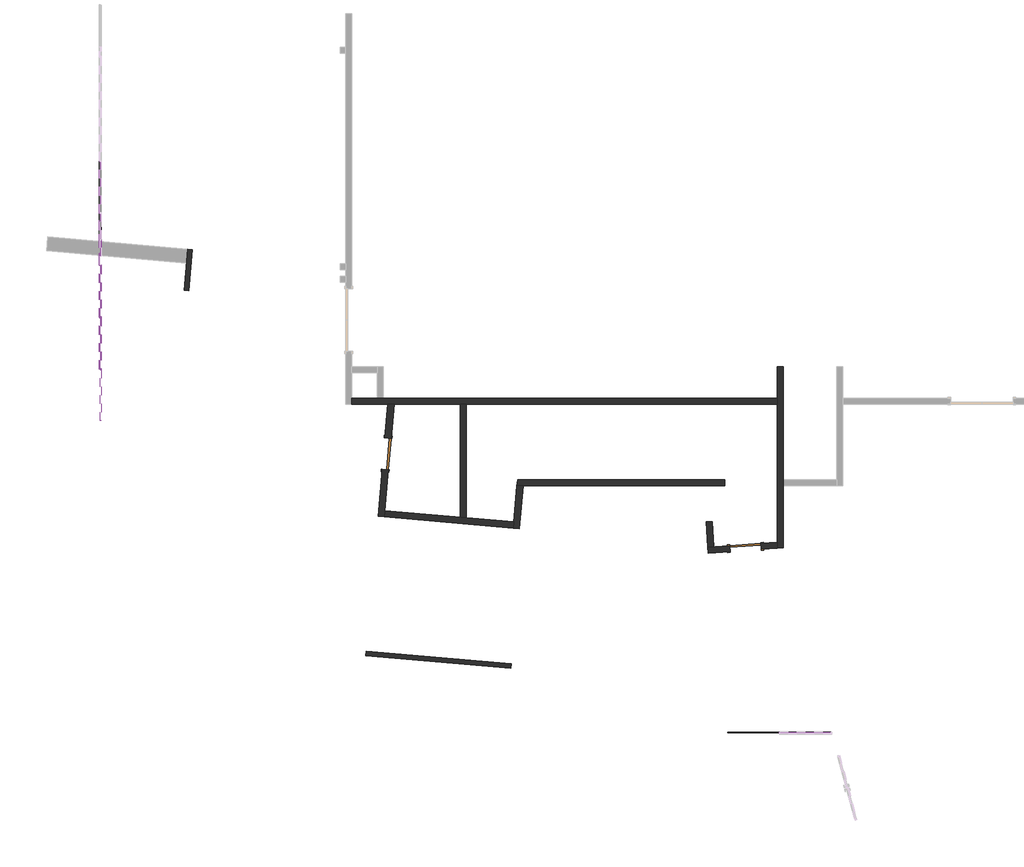
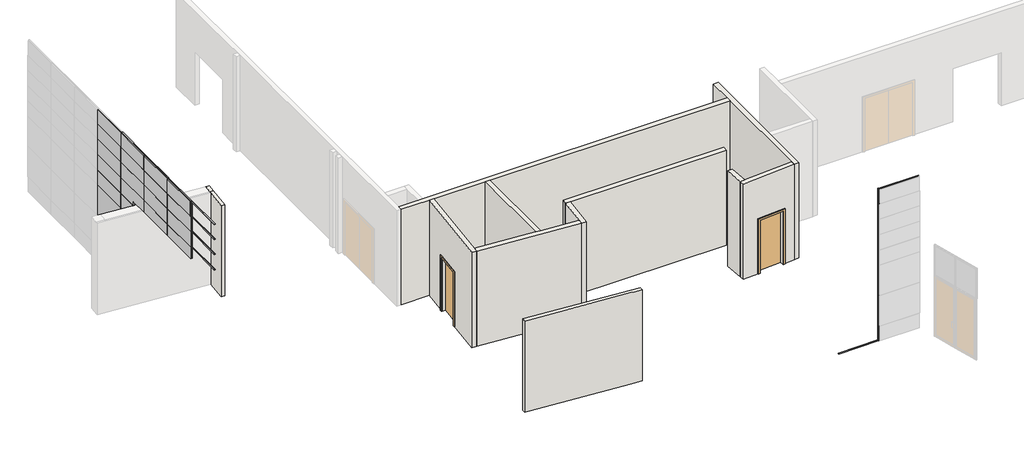
# One storey, part 7 of 36: 53 members, 24 plates, 11 walls, 2 doors.
"""IFC4 building model written with IfcOpenShell, lengths in millimetres."""

import ifcopenshell
import ifcopenshell.guid

model = None  # the IFC model being written
_history = None  # IfcOwnerHistory: only IFC2X3 demands one
_inside = {}  # id of a spatial element -> (the spatial element, [elements in it])
_under = {}  # id of a project, library or spatial element -> (it, [spatial elements below it])
_declared = {}  # id of a project -> (the project, [libraries it declares])
_typed = {}  # id of a type object -> (the type object, [elements of that type])
_made_of = {}  # id of a material, layer set ... -> (it, [elements and type objects made of it])


def new_model(schema):
    """Start an empty IFC model of exactly this schema.

    Asked for "IFC4X3", IfcOpenShell would pick the latest addendum, in which some entities
    have other attributes; the version numbers below select the first issue.
    IFC2X3 requires an IfcOwnerHistory on every rooted entity: one is made here for all.
    """
    global model, _history
    if schema == "IFC4X3":
        model = ifcopenshell.file(schema_version=(4, 3, 0, 0))
    else:
        model = ifcopenshell.file(schema=schema)
    _inside.clear()
    _under.clear()
    _declared.clear()
    _typed.clear()
    _made_of.clear()
    _history = None
    if model.schema == "IFC2X3":
        org = make("IfcOrganization", Name="unknown")
        user = make(
            "IfcPersonAndOrganization",
            ThePerson=make("IfcPerson", FamilyName="unknown"),
            TheOrganization=org,
        )
        app = make(
            "IfcApplication",
            ApplicationDeveloper=org,
            Version="unknown",
            ApplicationFullName="unknown",
            ApplicationIdentifier="unknown",
        )
        _history = make(
            "IfcOwnerHistory",
            OwningUser=user,
            OwningApplication=app,
            ChangeAction="ADDED",
            CreationDate=0,
        )
    return model


def make(cls, **values):
    """One entity of the class cls with the attributes given. An attribute that is None is left unset."""
    return model.create_entity(
        cls, **{name: value for name, value in values.items() if value is not None}
    )


def rooted(cls, **values):
    """An entity with a GlobalId (a new one), such as an element, a storey or a relation."""
    return make(cls, GlobalId=ifcopenshell.guid.new(), OwnerHistory=_history, **values)


def si_unit(unit_type, name, prefix=None):
    """IfcSIUnit, for example si_unit("LENGTHUNIT", "METRE", prefix="MILLI")."""
    return make("IfcSIUnit", UnitType=unit_type, Prefix=prefix, Name=name)


def assignment(units):
    """IfcUnitAssignment: the units of a project."""
    return None if units is None else make("IfcUnitAssignment", Units=units)


def point(xyz):
    """IfcCartesianPoint."""
    return None if xyz is None else make("IfcCartesianPoint", Coordinates=xyz)


def direction(xyz):
    """IfcDirection."""
    return None if xyz is None else make("IfcDirection", DirectionRatios=xyz)


def frame(location, z_axis=None, x_axis=None):
    """IfcAxis2Placement3D, a coordinate frame: its origin and axes. An axis left out is left unset."""
    return make(
        "IfcAxis2Placement3D",
        Location=point(location),
        Axis=direction(z_axis),
        RefDirection=direction(x_axis),
    )


def origin():
    """The frame at (0, 0, 0) with its axes left unset."""
    return frame((0.0, 0.0, 0.0))


def origin_with_axes():
    """The frame at (0, 0, 0) with the z axis (0, 0, 1) and the x axis (1, 0, 0) written out."""
    return frame((0.0, 0.0, 0.0), z_axis=(0.0, 0.0, 1.0), x_axis=(1.0, 0.0, 0.0))


def place(relative_to, where):
    """IfcLocalPlacement: puts the frame where relative to a parent placement (None: the world)."""
    return make(
        "IfcLocalPlacement", PlacementRelTo=relative_to, RelativePlacement=where
    )


def context(
    kind, dimensions, precision=None, world=None, true_north=None, identifier=None
):
    """IfcGeometricRepresentationContext, for example the 3D "Model" context."""
    return make(
        "IfcGeometricRepresentationContext",
        ContextIdentifier=identifier,
        ContextType=kind,
        CoordinateSpaceDimension=dimensions,
        Precision=precision,
        WorldCoordinateSystem=world,
        TrueNorth=true_north,
    )


def project(units=None, contexts=None):
    """IfcProject with its units and contexts."""
    return rooted(
        "IfcProject",
        Name="project",
        RepresentationContexts=contexts,
        UnitsInContext=assignment(units),
    )


def spatial(cls, under=None, at=None, **own):
    """A site, building, storey or space (cls), placed at a placement, below another one or the project."""
    s = rooted(cls, ObjectPlacement=at, **own)
    if under is not None:
        _under.setdefault(under.id(), (under, []))[1].append(s)
    return s


def polyline(points):
    """IfcPolyline through the points."""
    return make("IfcPolyline", Points=[point(p) for p in points])


def outline(outer, holes=None, kind="AREA"):
    """IfcArbitraryClosedProfileDef: a profile drawn as a closed curve; with holes, ...WithVoids."""
    if holes is None:
        return make("IfcArbitraryClosedProfileDef", ProfileType=kind, OuterCurve=outer)
    return make(
        "IfcArbitraryProfileDefWithVoids",
        ProfileType=kind,
        OuterCurve=outer,
        InnerCurves=holes,
    )


def extrude(swept, where, along, depth):
    """IfcExtrudedAreaSolid: the profile swept, set in the frame where, extruded along a direction by depth."""
    return make(
        "IfcExtrudedAreaSolid",
        SweptArea=swept,
        Position=where,
        ExtrudedDirection=direction(along),
        Depth=depth,
    )


def faces_of(points, faces, orient=None, outer=None):
    """IfcFace entities. A face is a list of loops; a loop is a list of indices into points, from 0.

    orient and outer hold one flag for each loop. By default every Orientation is true, the
    first loop of a face is its IfcFaceOuterBound and the others are IfcFaceBound.
    """
    made = []
    for i, loops in enumerate(faces):
        bounds = []
        for j, loop in enumerate(loops):
            is_outer = j == 0 if outer is None else outer[i][j]
            bounds.append(
                make(
                    "IfcFaceOuterBound" if is_outer else "IfcFaceBound",
                    Bound=make("IfcPolyLoop", Polygon=[points[k] for k in loop]),
                    Orientation=True if orient is None else orient[i][j],
                )
            )
        made.append(make("IfcFace", Bounds=bounds))
    return made


def faceted_brep(points, faces, orient=None, outer=None, voids=None):
    """IfcFacetedBrep: a solid bounded by flat faces; with voids (closed shells), ...WithVoids."""
    shared = [point(p) for p in points]
    hull = make("IfcClosedShell", CfsFaces=faces_of(shared, faces, orient, outer))
    if voids is None:
        return make("IfcFacetedBrep", Outer=hull)
    return make(
        "IfcFacetedBrepWithVoids",
        Outer=hull,
        Voids=[
            make(cls, CfsFaces=faces_of(shared, fs, o, b)) for cls, fs, o, b in voids
        ],
    )


def shape(context_of_items, identifier, shape_type, items):
    """IfcShapeRepresentation: the items that make up one representation, for example the "Body"."""
    return make(
        "IfcShapeRepresentation",
        ContextOfItems=context_of_items,
        RepresentationIdentifier=identifier,
        RepresentationType=shape_type,
        Items=items,
    )


def source(mapping_origin, context_of_items, identifier, shape_type, items):
    """IfcRepresentationMap: a shape defined once, which mapped items show again and again."""
    return make(
        "IfcRepresentationMap",
        MappingOrigin=mapping_origin,
        MappedRepresentation=shape(context_of_items, identifier, shape_type, items),
    )


def transform(
    local_origin,
    x_axis=None,
    y_axis=None,
    z_axis=None,
    scale=None,
    scale2=None,
    scale3=None,
    uniform=True,
):
    """IfcCartesianTransformationOperator3D, or its non-uniform kind. x_axis, y_axis, z_axis: its Axis1, 2, 3."""
    if uniform:
        return make(
            "IfcCartesianTransformationOperator3D",
            Axis1=direction(x_axis),
            Axis2=direction(y_axis),
            LocalOrigin=point(local_origin),
            Scale=scale,
            Axis3=direction(z_axis),
        )
    return make(
        "IfcCartesianTransformationOperator3DnonUniform",
        Axis1=direction(x_axis),
        Axis2=direction(y_axis),
        LocalOrigin=point(local_origin),
        Scale=scale,
        Axis3=direction(z_axis),
        Scale2=scale2,
        Scale3=scale3,
    )


def mapped(mapping_source, mapping_target):
    """IfcMappedItem: shows the shape of a source again, moved by a transform."""
    return make(
        "IfcMappedItem", MappingSource=mapping_source, MappingTarget=mapping_target
    )


def made_of(thing, what):
    """Note that an element or type object is made of a material, layer set ...; save() writes the relation."""
    if what is not None:
        _made_of.setdefault(what.id(), (what, []))[1].append(thing)
    return thing


def element(
    cls,
    number,
    at=None,
    inside=None,
    cuts=None,
    type_object=None,
    material=None,
    context=None,
    identifier="Body",
    shape_type=None,
    held_by="IfcProductDefinitionShape",
    body=None,
    shapes=None,
    **own,
):
    """One element of the class cls, such as IfcWall. Its Tag is "e" and its number.

    at: its placement. inside: the storey or other place that contains it. cuts: it is an
    opening in that element (IfcRelVoidsElement). A single representation is given by context,
    identifier, shape_type and body (its items); several are given by shapes. held_by: the class
    of the entity that holds the representations. save() writes the other relations.
    """
    e = rooted(cls, Tag="e%d" % number, ObjectPlacement=at, **own)
    if body is not None:
        shapes = [shape(context, identifier, shape_type, body)]
    if shapes is not None:
        e.Representation = make(held_by, Representations=shapes)
    if inside is not None:
        _inside.setdefault(inside.id(), (inside, []))[1].append(e)
    if cuts is not None:
        rooted(
            "IfcRelVoidsElement", RelatingBuildingElement=cuts, RelatedOpeningElement=e
        )
    if type_object is not None:
        _typed.setdefault(type_object.id(), (type_object, []))[1].append(e)
    return made_of(e, material)


def aggregate(whole, parts):
    """IfcRelAggregates: a whole, such as a stair, and the parts it consists of."""
    return rooted("IfcRelAggregates", RelatingObject=whole, RelatedObjects=parts)


def save(model, path):
    """Write the relations noted so far, then the file.

    IfcRelAggregates (storeys below a building ...), IfcRelContainedInSpatialStructure (elements
    in a storey), IfcRelDefinesByType, IfcRelAssociatesMaterial and IfcRelDeclares: one each for
    every whole, place, type object, material and project.
    """
    for whole, parts in _under.values():
        aggregate(whole, parts)
    for where, things in _inside.values():
        rooted(
            "IfcRelContainedInSpatialStructure",
            RelatedElements=things,
            RelatingStructure=where,
        )
    for kind, things in _typed.values():
        rooted("IfcRelDefinesByType", RelatedObjects=things, RelatingType=kind)
    for what, things in _made_of.values():
        rooted("IfcRelAssociatesMaterial", RelatedObjects=things, RelatingMaterial=what)
    for by, libraries in _declared.values():
        rooted("IfcRelDeclares", RelatingContext=by, RelatedDefinitions=libraries)
    model.write(path)


def door_dcb3ee61(model_context):
    return source(origin(), model_context, "Body", "SweptSolid", [
        extrude(outline(polyline([(2209.8, -533.4), (0.0, -533.4), (0.0, -457.2), (2133.6, -457.2), (2133.6, 457.2), (0.0, 457.2), (0.0, 533.4), (2209.8, 533.4), (2209.8, -533.4)])), frame((0.0, -114.3, 0.0), z_axis=(0.0, 1.0, 0.0), x_axis=(0.0, 0.0, 1.0)), (0.0, 0.0, 1.0), 25.4),
        extrude(outline(polyline([(2209.8, 533.4), (2209.8, -533.4), (0.0, -533.4), (0.0, -457.2), (2133.6, -457.2), (2133.6, 457.2), (0.0, 457.2), (0.0, 533.4), (2209.8, 533.4)])), frame((0.0, 88.9, 0.0), z_axis=(0.0, 1.0, 0.0), x_axis=(0.0, 0.0, 1.0)), (0.0, 0.0, 1.0), 25.4),
        extrude(outline(polyline([(457.2, -38.1), (457.2, -88.9), (-457.2, -88.9), (-457.2, -38.1), (457.2, -38.1)])), origin_with_axes(), (0.0, 0.0, 1.0), 2133.6),
    ])


def door_90112511(model_context):
    return source(origin(), model_context, "Body", "SweptSolid", [
        extrude(outline(polyline([(2209.8, -533.4), (0.0, -533.4), (0.0, -457.2), (2133.6, -457.2), (2133.6, 457.2), (0.0, 457.2), (0.0, 533.4), (2209.8, 533.4), (2209.8, -533.4)])), frame((0.0, 88.9, 0.0), z_axis=(0.0, 1.0, 0.0), x_axis=(0.0, 0.0, 1.0)), (0.0, 0.0, 1.0), 25.4),
        extrude(outline(polyline([(2209.8, 533.4), (2209.8, -533.4), (0.0, -533.4), (0.0, -457.2), (2133.6, -457.2), (2133.6, 457.2), (0.0, 457.2), (0.0, 533.4), (2209.8, 533.4)])), frame((0.0, -114.3, 0.0), z_axis=(0.0, 1.0, 0.0), x_axis=(0.0, 0.0, 1.0)), (0.0, 0.0, 1.0), 25.4),
        extrude(outline(polyline([(457.2, 38.1), (-457.2, 38.1), (-457.2, 88.9), (457.2, 88.9), (457.2, 38.1)])), origin_with_axes(), (0.0, 0.0, 1.0), 2133.6),
    ])


def member_e689ca9c(model_context):
    return source(origin(), model_context, "Body", "SweptSolid", [
        extrude(outline(polyline([(0.0, 12.7), (0.0, -12.7), (-25.4, -12.7), (-25.4, 12.7), (0.0, 12.7)])), frame((0.0, 0.0, -1219.2), z_axis=(0.0, 0.0, 1.0), x_axis=(1.0, 0.0, 0.0)), (0.0, 0.0, 1.0), 1219.2),
    ])


def member_f4845628(model_context):
    return source(origin(), model_context, "Body", "SweptSolid", [
        extrude(outline(polyline([(12.7, 12.7), (12.7, -12.7), (-12.7, -12.7), (-12.7, 12.7), (12.7, 12.7)])), frame((0.0, 0.0, -1219.2), z_axis=(0.0, 0.0, 1.0), x_axis=(1.0, 0.0, 0.0)), (0.0, 0.0, 1.0), 1219.2),
    ])


def member_6604d1e0(model_context):
    return source(origin(), model_context, "Body", "SweptSolid", [
        extrude(outline(polyline([(0.0, 12.7), (0.0, -12.7), (-25.4, -12.7), (-25.4, 12.7), (0.0, 12.7)])), frame((0.0, 0.0, -1498.6), z_axis=(0.0, 0.0, 1.0), x_axis=(1.0, 0.0, 0.0)), (0.0, 0.0, 1.0), 1498.6),
    ])


def member_fda38710(model_context):
    return source(origin(), model_context, "Body", "SweptSolid", [
        extrude(outline(polyline([(0.0, 12.7), (0.0, -12.7), (-25.4, -12.7), (-25.4, 12.7), (0.0, 12.7)])), frame((0.0, 0.0, -177.8), z_axis=(0.0, 0.0, 1.0), x_axis=(1.0, 0.0, 0.0)), (0.0, 0.0, 1.0), 177.8),
    ])


def member_68981e21(model_context):
    return source(origin(), model_context, "Body", "SweptSolid", [
        extrude(outline(polyline([(0.0, 12.7), (0.0, -12.7), (-25.4, -12.7), (-25.4, 12.7), (0.0, 12.7)])), frame((0.0, 0.0, -609.6), z_axis=(0.0, 0.0, 1.0), x_axis=(1.0, 0.0, 0.0)), (0.0, 0.0, 1.0), 609.6),
    ])


def member_9fd3d903(model_context):
    return source(origin(), model_context, "Body", "SweptSolid", [
        extrude(outline(polyline([(12.7, 12.7), (12.7, -12.7), (-12.7, -12.7), (-12.7, 12.7), (12.7, 12.7)])), frame((0.0, 0.0, -1498.6), z_axis=(0.0, 0.0, 1.0), x_axis=(1.0, 0.0, 0.0)), (0.0, 0.0, 1.0), 1498.6),
    ])


def member_3d4b608b(model_context):
    return source(origin(), model_context, "Body", "SweptSolid", [
        extrude(outline(polyline([(12.7, 12.7), (12.7, -12.7), (-12.7, -12.7), (-12.7, 12.7), (12.7, 12.7)])), frame((0.0, 0.0, -457.2), z_axis=(0.0, 0.0, 1.0), x_axis=(1.0, 0.0, 0.0)), (0.0, 0.0, 1.0), 457.2),
    ])


def member_3e1f1dd8(model_context):
    return source(origin(), model_context, "Body", "SweptSolid", [
        extrude(outline(polyline([(12.7, 12.7), (12.7, -12.7), (-12.7, -12.7), (-12.7, 12.7), (12.7, 12.7)])), frame((0.0, 0.0, -609.6), z_axis=(0.0, 0.0, 1.0), x_axis=(1.0, 0.0, 0.0)), (0.0, 0.0, 1.0), 609.6),
    ])


def member_93cf2621(model_context):
    return source(origin(), model_context, "Body", "SweptSolid", [
        extrude(outline(polyline([(12.7, 12.7), (12.7, -12.7), (-12.7, -12.7), (-12.7, 12.7), (12.7, 12.7)])), frame((0.0, 0.0, -622.3), z_axis=(0.0, 0.0, 1.0), x_axis=(1.0, 0.0, 0.0)), (0.0, 0.0, 1.0), 622.3),
    ])


def member_0acad92b(model_context):
    return source(origin(), model_context, "Body", "SweptSolid", [
        extrude(outline(polyline([(12.7, 12.7), (12.7, -12.7), (-12.7, -12.7), (-12.7, 12.7), (12.7, 12.7)])), frame((0.0, 0.0, -596.9), z_axis=(0.0, 0.0, 1.0), x_axis=(1.0, 0.0, 0.0)), (0.0, 0.0, 1.0), 596.9),
    ])


def member_5fab85cf(model_context):
    return source(origin(), model_context, "Body", "SweptSolid", [
        extrude(outline(polyline([(0.0, 12.7), (0.0, -12.7), (-25.4, -12.7), (-25.4, 12.7), (0.0, 12.7)])), frame((0.0, 0.0, -789.3590832), z_axis=(0.0, 0.0, 1.0), x_axis=(1.0, 0.0, 0.0)), (0.0, 0.0, 1.0), 789.3590832),
    ])


def member_24482ccd(model_context):
    return source(origin(), model_context, "Body", "SweptSolid", [
        extrude(outline(polyline([(0.0, 12.7), (0.0, -12.7), (-25.4, -12.7), (-25.4, 12.7), (0.0, 12.7)])), frame((0.0, 0.0, -683.8409168), z_axis=(0.0, 0.0, 1.0), x_axis=(1.0, 0.0, 0.0)), (0.0, 0.0, 1.0), 683.8409168),
    ])


def member_20523a67(model_context):
    return source(origin(), model_context, "Body", "SweptSolid", [
        extrude(outline(polyline([(12.7, 12.7), (12.7, -12.7), (-12.7, -12.7), (-12.7, 12.7), (12.7, 12.7)])), frame((0.0, 0.0, -789.3590832), z_axis=(0.0, 0.0, 1.0), x_axis=(1.0, 0.0, 0.0)), (0.0, 0.0, 1.0), 789.3590832),
    ])


def system_panel_glazed_327285c7(model_context):
    return source(origin(), model_context, "Body", "SweptSolid", [
        extrude(outline(polyline([(762.0, 19.05), (-762.0, 19.05), (-762.0, 44.45), (762.0, 44.45), (762.0, 19.05)])), origin_with_axes(), (0.0, 0.0, 1.0), 609.6),
    ])


def system_panel_glazed_cdb21187(model_context):
    return source(origin(), model_context, "Body", "SweptSolid", [
        extrude(outline(polyline([(762.0, 19.05), (-762.0, 19.05), (-762.0, 44.45), (762.0, 44.45), (762.0, 19.05)])), origin_with_axes(), (0.0, 0.0, 1.0), 457.2),
    ])


def system_panel_glazed_14200f5a(model_context):
    return source(origin(), model_context, "Body", "SweptSolid", [
        extrude(outline(polyline([(762.0, 19.05), (-762.0, 19.05), (-762.0, 44.45), (762.0, 44.45), (762.0, 19.05)])), origin_with_axes(), (0.0, 0.0, 1.0), 1219.2),
    ])


def system_panel_glazed_39099b5e(model_context):
    return source(origin(), model_context, "Body", "SweptSolid", [
        extrude(outline(polyline([(762.0, 19.05), (-762.0, 19.05), (-762.0, 44.45), (762.0, 44.45), (762.0, 19.05)])), origin_with_axes(), (0.0, 0.0, 1.0), 622.3),
    ])


def system_panel_glazed_72237fa4(model_context):
    return source(origin(), model_context, "Body", "SweptSolid", [
        extrude(outline(polyline([(762.0, 19.05), (-762.0, 19.05), (-762.0, 44.45), (762.0, 44.45), (762.0, 19.05)])), origin_with_axes(), (0.0, 0.0, 1.0), 596.9),
    ])


def system_panel_glazed_ab490cc1(model_context):
    return source(origin(), model_context, "Body", "SweptSolid", [
        extrude(outline(polyline([(413.7295416, 19.05), (-413.7295416, 19.05), (-413.7295416, 44.45), (413.7295416, 44.45), (413.7295416, 19.05)])), origin_with_axes(), (0.0, 0.0, 1.0), 1219.2),
    ])


def system_panel_glazed_f567da37(model_context):
    return source(origin(), model_context, "Body", "SweptSolid", [
        extrude(outline(polyline([(413.7295416, 19.05), (-413.7295416, 19.05), (-413.7295416, 44.45), (413.7295416, 44.45), (413.7295416, 19.05)])), origin_with_axes(), (0.0, 0.0, 1.0), 609.6),
    ])


def system_panel_glazed_34cbab50(model_context):
    return source(origin(), model_context, "Body", "SweptSolid", [
        extrude(outline(polyline([(0.0, -65.4590832), (0.0, 762.0), (609.6, 762.0), (609.6, -762.0), (152.4, -762.0), (152.4, -65.4590832), (0.0, -65.4590832)])), frame((0.0, 19.05, 0.0), z_axis=(0.0, 1.0, 0.0), x_axis=(0.0, 0.0, 1.0)), (0.0, 0.0, 1.0), 25.4),
    ])


def system_panel_solid_1afbd22d(model_context):
    return source(origin(), model_context, "Body", "SweptSolid", [
        extrude(outline(polyline([(749.3, -19.05), (-749.3, -19.05), (-749.3, 44.45), (749.3, 44.45), (749.3, -19.05)])), origin_with_axes(), (0.0, 0.0, 1.0), 571.5),
    ])


def system_panel_solid_8e77ed5b(model_context):
    return source(origin(), model_context, "Body", "SweptSolid", [
        extrude(outline(polyline([(394.6795416, -19.05), (-394.6795416, -19.05), (-394.6795416, 44.45), (394.6795416, 44.45), (394.6795416, -19.05)])), origin_with_axes(), (0.0, 0.0, 1.0), 571.5),
    ])


model = new_model("IFC4")

# Units and contexts
model_context = context("Model", 3, world=origin())
ifc_project = project(units=[si_unit("LENGTHUNIT", "METRE", prefix="MILLI")], contexts=[model_context])

# Site, building, storey
site = spatial("IfcSite", under=ifc_project)
building = spatial("IfcBuilding", under=site)
storey = spatial("IfcBuildingStorey", under=building, Elevation=0.0)

# Doors
placement = place(None, origin())
door_shape = door_dcb3ee61(model_context)
element("IfcDoor", 1, ObjectType="Single-Flush : 36\" x 84\"", at=placement, inside=storey, context=model_context, shape_type="MappedRepresentation", body=[
    mapped(door_shape, transform((-43740.310279, -17894.6421973, 0.0), x_axis=(0.08715574274765477, 0.9961946980917459, 0.0), y_axis=(-0.9961946980917459, 0.08715574274765477, 0.0), z_axis=(0.0, 0.0, 1.0))),
])
door_2_shape = door_90112511(model_context)
element("IfcDoor", 2, ObjectType="Single-Flush : 36\" x 84\"", at=placement, inside=storey, context=model_context, shape_type="MappedRepresentation", body=[
    mapped(door_2_shape, transform((-33234.6193724, -20637.0783385, 0.0), x_axis=(0.9975640502598242, 0.06975647374412611, 0.0), y_axis=(-0.06975647374412611, 0.9975640502598242, 0.0), z_axis=(0.0, 0.0, 1.0))),
])

# Members
member_shape = member_e689ca9c(model_context)
element("IfcMember", 3, ObjectType="Rectangular Mullion : 1\" Square", at=placement, inside=storey, context=model_context, shape_type="MappedRepresentation", body=[
    mapped(member_shape, transform((-52109.6440345, -11672.4687182, 1828.8), x_axis=(0.0, -1.0, 0.0), y_axis=(1.0, 0.0, 0.0), z_axis=(0.0, 0.0, 1.0))),
])
element("IfcMember", 4, ObjectType="Rectangular Mullion : 1\" Square", at=placement, inside=storey, context=model_context, shape_type="MappedRepresentation", body=[
    mapped(member_shape, transform((-52109.6440345, -11672.4687182, 3048.0), x_axis=(0.0, -1.0, 0.0), y_axis=(1.0, 0.0, 0.0), z_axis=(0.0, 0.0, 1.0))),
])
member_2_shape = member_f4845628(model_context)
element("IfcMember", 5, ObjectType="Rectangular Mullion : 1\" Square", at=placement, inside=storey, context=model_context, shape_type="MappedRepresentation", body=[
    mapped(member_2_shape, transform((-32239.416766, -26053.259635, 609.6), x_axis=(-1.0, 0.0, 0.0), y_axis=(0.0, 1.0, 0.0), z_axis=(0.0, 0.0, -1.0))),
])
element("IfcMember", 6, ObjectType="Rectangular Mullion : 1\" Square", at=placement, inside=storey, context=model_context, shape_type="MappedRepresentation", body=[
    mapped(member_2_shape, transform((-32239.416766, -26053.259635, 1828.8), x_axis=(-1.0, 0.0, 0.0), y_axis=(0.0, 1.0, 0.0), z_axis=(0.0, 0.0, -1.0))),
])
member_3_shape = member_6604d1e0(model_context)
element("IfcMember", 7, ObjectType="Rectangular Mullion : 1\" Square", at=placement, inside=storey, context=model_context, shape_type="MappedRepresentation", body=[
    mapped(member_3_shape, transform((-52109.6440345, -15429.709635, 6096.0), x_axis=(0.0, 0.0, 1.0), y_axis=(1.0, 0.0, 0.0), z_axis=(0.0, 1.0, 0.0))),
])
element("IfcMember", 8, ObjectType="Rectangular Mullion : 1\" Square", at=placement, inside=storey, context=model_context, shape_type="MappedRepresentation", body=[
    mapped(member_3_shape, transform((-52109.6440345, -13905.709635, 6096.0), x_axis=(0.0, 0.0, 1.0), y_axis=(1.0, 0.0, 0.0), z_axis=(0.0, 1.0, 0.0))),
])
element("IfcMember", 9, ObjectType="Rectangular Mullion : 1\" Square", at=placement, inside=storey, context=model_context, shape_type="MappedRepresentation", body=[
    mapped(member_3_shape, transform((-52109.6440345, -12381.709635, 6096.0), x_axis=(0.0, 0.0, 1.0), y_axis=(1.0, 0.0, 0.0), z_axis=(0.0, 1.0, 0.0))),
])
element("IfcMember", 10, ObjectType="Rectangular Mullion : 1\" Square", at=placement, inside=storey, context=model_context, shape_type="MappedRepresentation", body=[
    mapped(member_3_shape, transform((-52109.6440345, -10857.709635, 6096.0), x_axis=(0.0, 0.0, 1.0), y_axis=(1.0, 0.0, 0.0), z_axis=(0.0, 1.0, 0.0))),
])
element("IfcMember", 11, ObjectType="Rectangular Mullion : 1\" Square", at=placement, inside=storey, context=model_context, shape_type="MappedRepresentation", body=[
    mapped(member_3_shape, transform((-32226.716766, -26053.259635, 6096.0), x_axis=(0.0, 0.0, 1.0), y_axis=(0.0, 1.0, 0.0), z_axis=(-1.0, 0.0, 0.0))),
])
element("IfcMember", 12, ObjectType="Rectangular Mullion : 1\" Square", at=placement, inside=storey, context=model_context, shape_type="MappedRepresentation", body=[
    mapped(member_3_shape, transform((-52109.6440345, -15404.309635, 3810.0), x_axis=(0.0, 0.0, -1.0), y_axis=(1.0, 0.0, 0.0), z_axis=(0.0, -1.0, 0.0))),
])
element("IfcMember", 13, ObjectType="Rectangular Mullion : 1\" Square", at=placement, inside=storey, context=model_context, shape_type="MappedRepresentation", body=[
    mapped(member_3_shape, transform((-52109.6440345, -13880.309635, 3810.0), x_axis=(0.0, 0.0, -1.0), y_axis=(1.0, 0.0, 0.0), z_axis=(0.0, -1.0, 0.0))),
])
element("IfcMember", 14, ObjectType="Rectangular Mullion : 1\" Square", at=placement, inside=storey, context=model_context, shape_type="MappedRepresentation", body=[
    mapped(member_3_shape, transform((-52109.6440345, -10832.309635, 0.0), x_axis=(0.0, 0.0, -1.0), y_axis=(1.0, 0.0, 0.0), z_axis=(0.0, -1.0, 0.0))),
])
element("IfcMember", 15, ObjectType="Rectangular Mullion : 1\" Square", at=placement, inside=storey, context=model_context, shape_type="MappedRepresentation", body=[
    mapped(member_3_shape, transform((-32252.116766, -26053.259635, 0.0), x_axis=(0.0, 0.0, -1.0), y_axis=(0.0, 1.0, 0.0), z_axis=(1.0, 0.0, 0.0))),
])
member_4_shape = member_fda38710(model_context)
element("IfcMember", 16, ObjectType="Rectangular Mullion : 1\" Square", at=placement, inside=storey, context=model_context, shape_type="MappedRepresentation", body=[
    mapped(member_4_shape, transform((-52109.6440345, -11672.4687182, 3835.4), x_axis=(0.0, -1.0, 0.0), y_axis=(1.0, 0.0, 0.0), z_axis=(0.0, 0.0, 1.0))),
])
member_5_shape = member_68981e21(model_context)
element("IfcMember", 17, ObjectType="Rectangular Mullion : 1\" Square", at=placement, inside=storey, context=model_context, shape_type="MappedRepresentation", body=[
    mapped(member_5_shape, transform((-52109.6440345, -11672.4687182, 609.6), x_axis=(0.0, -1.0, 0.0), y_axis=(1.0, 0.0, 0.0), z_axis=(0.0, 0.0, 1.0))),
])
element("IfcMember", 18, ObjectType="Rectangular Mullion : 1\" Square", at=placement, inside=storey, context=model_context, shape_type="MappedRepresentation", body=[
    mapped(member_5_shape, transform((-52109.6440345, -11672.4687182, 3657.6), x_axis=(0.0, -1.0, 0.0), y_axis=(1.0, 0.0, 0.0), z_axis=(0.0, 0.0, 1.0))),
])
member_6_shape = member_9fd3d903(model_context)
element("IfcMember", 19, ObjectType="Rectangular Mullion : 1\" Square", at=placement, inside=storey, context=model_context, shape_type="MappedRepresentation", body=[
    mapped(member_6_shape, transform((-52109.6440345, -15429.709635, 4267.2), x_axis=(0.0, 0.0, 1.0), y_axis=(1.0, 0.0, 0.0), z_axis=(0.0, 1.0, 0.0))),
])
element("IfcMember", 20, ObjectType="Rectangular Mullion : 1\" Square", at=placement, inside=storey, context=model_context, shape_type="MappedRepresentation", body=[
    mapped(member_6_shape, transform((-52109.6440345, -13905.709635, 4267.2), x_axis=(0.0, 0.0, 1.0), y_axis=(1.0, 0.0, 0.0), z_axis=(0.0, 1.0, 0.0))),
])
element("IfcMember", 21, ObjectType="Rectangular Mullion : 1\" Square", at=placement, inside=storey, context=model_context, shape_type="MappedRepresentation", body=[
    mapped(member_6_shape, transform((-52109.6440345, -12381.709635, 4267.2), x_axis=(0.0, 0.0, 1.0), y_axis=(1.0, 0.0, 0.0), z_axis=(0.0, 1.0, 0.0))),
])
element("IfcMember", 22, ObjectType="Rectangular Mullion : 1\" Square", at=placement, inside=storey, context=model_context, shape_type="MappedRepresentation", body=[
    mapped(member_6_shape, transform((-52109.6440345, -15429.709635, 4889.5), x_axis=(0.0, 0.0, 1.0), y_axis=(1.0, 0.0, 0.0), z_axis=(0.0, 1.0, 0.0))),
])
element("IfcMember", 23, ObjectType="Rectangular Mullion : 1\" Square", at=placement, inside=storey, context=model_context, shape_type="MappedRepresentation", body=[
    mapped(member_6_shape, transform((-52109.6440345, -13905.709635, 4889.5), x_axis=(0.0, 0.0, 1.0), y_axis=(1.0, 0.0, 0.0), z_axis=(0.0, 1.0, 0.0))),
])
element("IfcMember", 24, ObjectType="Rectangular Mullion : 1\" Square", at=placement, inside=storey, context=model_context, shape_type="MappedRepresentation", body=[
    mapped(member_6_shape, transform((-52109.6440345, -12381.709635, 4889.5), x_axis=(0.0, 0.0, 1.0), y_axis=(1.0, 0.0, 0.0), z_axis=(0.0, 1.0, 0.0))),
])
element("IfcMember", 25, ObjectType="Rectangular Mullion : 1\" Square", at=placement, inside=storey, context=model_context, shape_type="MappedRepresentation", body=[
    mapped(member_6_shape, transform((-52109.6440345, -15429.709635, 5486.4), x_axis=(0.0, 0.0, 1.0), y_axis=(1.0, 0.0, 0.0), z_axis=(0.0, 1.0, 0.0))),
])
element("IfcMember", 26, ObjectType="Rectangular Mullion : 1\" Square", at=placement, inside=storey, context=model_context, shape_type="MappedRepresentation", body=[
    mapped(member_6_shape, transform((-52109.6440345, -13905.709635, 5486.4), x_axis=(0.0, 0.0, 1.0), y_axis=(1.0, 0.0, 0.0), z_axis=(0.0, 1.0, 0.0))),
])
element("IfcMember", 27, ObjectType="Rectangular Mullion : 1\" Square", at=placement, inside=storey, context=model_context, shape_type="MappedRepresentation", body=[
    mapped(member_6_shape, transform((-52109.6440345, -12381.709635, 5486.4), x_axis=(0.0, 0.0, 1.0), y_axis=(1.0, 0.0, 0.0), z_axis=(0.0, 1.0, 0.0))),
])
element("IfcMember", 28, ObjectType="Rectangular Mullion : 1\" Square", at=placement, inside=storey, context=model_context, shape_type="MappedRepresentation", body=[
    mapped(member_6_shape, transform((-32226.716766, -26053.259635, 609.6), x_axis=(0.0, 0.0, 1.0), y_axis=(0.0, 1.0, 0.0), z_axis=(-1.0, 0.0, 0.0))),
])
element("IfcMember", 29, ObjectType="Rectangular Mullion : 1\" Square", at=placement, inside=storey, context=model_context, shape_type="MappedRepresentation", body=[
    mapped(member_6_shape, transform((-32226.716766, -26053.259635, 1828.8), x_axis=(0.0, 0.0, 1.0), y_axis=(0.0, 1.0, 0.0), z_axis=(-1.0, 0.0, 0.0))),
])
element("IfcMember", 30, ObjectType="Rectangular Mullion : 1\" Square", at=placement, inside=storey, context=model_context, shape_type="MappedRepresentation", body=[
    mapped(member_6_shape, transform((-32226.716766, -26053.259635, 3048.0), x_axis=(0.0, 0.0, 1.0), y_axis=(0.0, 1.0, 0.0), z_axis=(-1.0, 0.0, 0.0))),
])
element("IfcMember", 31, ObjectType="Rectangular Mullion : 1\" Square", at=placement, inside=storey, context=model_context, shape_type="MappedRepresentation", body=[
    mapped(member_6_shape, transform((-32226.716766, -26053.259635, 3657.6), x_axis=(0.0, 0.0, 1.0), y_axis=(0.0, 1.0, 0.0), z_axis=(-1.0, 0.0, 0.0))),
])
element("IfcMember", 32, ObjectType="Rectangular Mullion : 1\" Square", at=placement, inside=storey, context=model_context, shape_type="MappedRepresentation", body=[
    mapped(member_6_shape, transform((-32226.716766, -26053.259635, 4267.2), x_axis=(0.0, 0.0, 1.0), y_axis=(0.0, 1.0, 0.0), z_axis=(-1.0, 0.0, 0.0))),
])
element("IfcMember", 33, ObjectType="Rectangular Mullion : 1\" Square", at=placement, inside=storey, context=model_context, shape_type="MappedRepresentation", body=[
    mapped(member_6_shape, transform((-32226.716766, -26053.259635, 4889.5), x_axis=(0.0, 0.0, 1.0), y_axis=(0.0, 1.0, 0.0), z_axis=(-1.0, 0.0, 0.0))),
])
element("IfcMember", 34, ObjectType="Rectangular Mullion : 1\" Square", at=placement, inside=storey, context=model_context, shape_type="MappedRepresentation", body=[
    mapped(member_6_shape, transform((-32226.716766, -26053.259635, 5486.4), x_axis=(0.0, 0.0, 1.0), y_axis=(0.0, 1.0, 0.0), z_axis=(-1.0, 0.0, 0.0))),
])
member_7_shape = member_3d4b608b(model_context)
element("IfcMember", 35, ObjectType="Rectangular Mullion : 1\" Square", at=placement, inside=storey, context=model_context, shape_type="MappedRepresentation", body=[
    mapped(member_7_shape, transform((-52109.6440345, -15417.009635, 3810.0), x_axis=(0.0, 1.0, 0.0), y_axis=(1.0, 0.0, 0.0), z_axis=(0.0, 0.0, -1.0))),
])
element("IfcMember", 36, ObjectType="Rectangular Mullion : 1\" Square", at=placement, inside=storey, context=model_context, shape_type="MappedRepresentation", body=[
    mapped(member_7_shape, transform((-52109.6440345, -13893.009635, 3810.0), x_axis=(0.0, 1.0, 0.0), y_axis=(1.0, 0.0, 0.0), z_axis=(0.0, 0.0, -1.0))),
])
element("IfcMember", 37, ObjectType="Rectangular Mullion : 1\" Square", at=placement, inside=storey, context=model_context, shape_type="MappedRepresentation", body=[
    mapped(member_7_shape, transform((-52109.6440345, -12369.009635, 3810.0), x_axis=(0.0, 1.0, 0.0), y_axis=(1.0, 0.0, 0.0), z_axis=(0.0, 0.0, -1.0))),
])
member_8_shape = member_3e1f1dd8(model_context)
element("IfcMember", 38, ObjectType="Rectangular Mullion : 1\" Square", at=placement, inside=storey, context=model_context, shape_type="MappedRepresentation", body=[
    mapped(member_8_shape, transform((-32239.416766, -26053.259635, 0.0), x_axis=(-1.0, 0.0, 0.0), y_axis=(0.0, 1.0, 0.0), z_axis=(0.0, 0.0, -1.0))),
])
element("IfcMember", 39, ObjectType="Rectangular Mullion : 1\" Square", at=placement, inside=storey, context=model_context, shape_type="MappedRepresentation", body=[
    mapped(member_8_shape, transform((-32239.416766, -26053.259635, 3048.0), x_axis=(-1.0, 0.0, 0.0), y_axis=(0.0, 1.0, 0.0), z_axis=(0.0, 0.0, -1.0))),
])
element("IfcMember", 40, ObjectType="Rectangular Mullion : 1\" Square", at=placement, inside=storey, context=model_context, shape_type="MappedRepresentation", body=[
    mapped(member_8_shape, transform((-32239.416766, -26053.259635, 3657.6), x_axis=(-1.0, 0.0, 0.0), y_axis=(0.0, 1.0, 0.0), z_axis=(0.0, 0.0, -1.0))),
])
member_9_shape = member_93cf2621(model_context)
element("IfcMember", 41, ObjectType="Rectangular Mullion : 1\" Square", at=placement, inside=storey, context=model_context, shape_type="MappedRepresentation", body=[
    mapped(member_9_shape, transform((-52109.6440345, -15417.009635, 4267.2), x_axis=(0.0, 1.0, 0.0), y_axis=(1.0, 0.0, 0.0), z_axis=(0.0, 0.0, -1.0))),
])
element("IfcMember", 42, ObjectType="Rectangular Mullion : 1\" Square", at=placement, inside=storey, context=model_context, shape_type="MappedRepresentation", body=[
    mapped(member_9_shape, transform((-52109.6440345, -13893.009635, 4267.2), x_axis=(0.0, 1.0, 0.0), y_axis=(1.0, 0.0, 0.0), z_axis=(0.0, 0.0, -1.0))),
])
element("IfcMember", 43, ObjectType="Rectangular Mullion : 1\" Square", at=placement, inside=storey, context=model_context, shape_type="MappedRepresentation", body=[
    mapped(member_9_shape, transform((-52109.6440345, -12369.009635, 4267.2), x_axis=(0.0, 1.0, 0.0), y_axis=(1.0, 0.0, 0.0), z_axis=(0.0, 0.0, -1.0))),
])
element("IfcMember", 44, ObjectType="Rectangular Mullion : 1\" Square", at=placement, inside=storey, context=model_context, shape_type="MappedRepresentation", body=[
    mapped(member_9_shape, transform((-32239.416766, -26053.259635, 4267.2), x_axis=(-1.0, 0.0, 0.0), y_axis=(0.0, 1.0, 0.0), z_axis=(0.0, 0.0, -1.0))),
])
member_10_shape = member_0acad92b(model_context)
element("IfcMember", 45, ObjectType="Rectangular Mullion : 1\" Square", at=placement, inside=storey, context=model_context, shape_type="MappedRepresentation", body=[
    mapped(member_10_shape, transform((-52109.6440345, -15417.009635, 4889.5), x_axis=(0.0, 1.0, 0.0), y_axis=(1.0, 0.0, 0.0), z_axis=(0.0, 0.0, -1.0))),
])
element("IfcMember", 46, ObjectType="Rectangular Mullion : 1\" Square", at=placement, inside=storey, context=model_context, shape_type="MappedRepresentation", body=[
    mapped(member_10_shape, transform((-52109.6440345, -13893.009635, 4889.5), x_axis=(0.0, 1.0, 0.0), y_axis=(1.0, 0.0, 0.0), z_axis=(0.0, 0.0, -1.0))),
])
element("IfcMember", 47, ObjectType="Rectangular Mullion : 1\" Square", at=placement, inside=storey, context=model_context, shape_type="MappedRepresentation", body=[
    mapped(member_10_shape, transform((-52109.6440345, -12369.009635, 4889.5), x_axis=(0.0, 1.0, 0.0), y_axis=(1.0, 0.0, 0.0), z_axis=(0.0, 0.0, -1.0))),
])
element("IfcMember", 48, ObjectType="Rectangular Mullion : 1\" Square", at=placement, inside=storey, context=model_context, shape_type="MappedRepresentation", body=[
    mapped(member_10_shape, transform((-32239.416766, -26053.259635, 4889.5), x_axis=(-1.0, 0.0, 0.0), y_axis=(0.0, 1.0, 0.0), z_axis=(0.0, 0.0, -1.0))),
])
element("IfcMember", 49, ObjectType="Rectangular Mullion : 1\" Square", at=placement, inside=storey, context=model_context, shape_type="MappedRepresentation", body=[
    mapped(member_8_shape, transform((-52109.6440345, -15417.009635, 5486.4), x_axis=(0.0, 1.0, 0.0), y_axis=(1.0, 0.0, 0.0), z_axis=(0.0, 0.0, -1.0))),
])
element("IfcMember", 50, ObjectType="Rectangular Mullion : 1\" Square", at=placement, inside=storey, context=model_context, shape_type="MappedRepresentation", body=[
    mapped(member_8_shape, transform((-52109.6440345, -13893.009635, 5486.4), x_axis=(0.0, 1.0, 0.0), y_axis=(1.0, 0.0, 0.0), z_axis=(0.0, 0.0, -1.0))),
])
element("IfcMember", 51, ObjectType="Rectangular Mullion : 1\" Square", at=placement, inside=storey, context=model_context, shape_type="MappedRepresentation", body=[
    mapped(member_8_shape, transform((-52109.6440345, -12369.009635, 5486.4), x_axis=(0.0, 1.0, 0.0), y_axis=(1.0, 0.0, 0.0), z_axis=(0.0, 0.0, -1.0))),
])
element("IfcMember", 52, ObjectType="Rectangular Mullion : 1\" Square", at=placement, inside=storey, context=model_context, shape_type="MappedRepresentation", body=[
    mapped(member_8_shape, transform((-32239.416766, -26053.259635, 5486.4), x_axis=(-1.0, 0.0, 0.0), y_axis=(0.0, 1.0, 0.0), z_axis=(0.0, 0.0, -1.0))),
])
member_11_shape = member_5fab85cf(model_context)
element("IfcMember", 53, ObjectType="Rectangular Mullion : 1\" Square", at=placement, inside=storey, context=model_context, shape_type="MappedRepresentation", body=[
    mapped(member_11_shape, transform((-52109.6440345, -11647.0687182, 0.0), x_axis=(0.0, 0.0, -1.0), y_axis=(1.0, 0.0, 0.0), z_axis=(0.0, -1.0, 0.0))),
])
member_12_shape = member_24482ccd(model_context)
element("IfcMember", 54, ObjectType="Rectangular Mullion : 1\" Square", at=placement, inside=storey, context=model_context, shape_type="MappedRepresentation", body=[
    mapped(member_12_shape, transform((-52109.6440345, -12356.309635, 3810.0), x_axis=(0.0, 0.0, -1.0), y_axis=(1.0, 0.0, 0.0), z_axis=(0.0, -1.0, 0.0))),
])
member_13_shape = member_20523a67(model_context)
element("IfcMember", 55, ObjectType="Rectangular Mullion : 1\" Square", at=placement, inside=storey, context=model_context, shape_type="MappedRepresentation", body=[
    mapped(member_13_shape, transform((-52109.6440345, -10857.709635, 609.6), x_axis=(0.0, 0.0, 1.0), y_axis=(1.0, 0.0, 0.0), z_axis=(0.0, 1.0, 0.0))),
])

# Plates
system_panel_glazed_shape = system_panel_glazed_327285c7(model_context)
element("IfcPlate", 56, ObjectType="System Panel : Glazed", at=placement, inside=storey, context=model_context, shape_type="MappedRepresentation", body=[
    mapped(system_panel_glazed_shape, transform((-52109.6440345, -10083.009635, 3048.0), x_axis=(0.0, 1.0, 0.0), y_axis=(-1.0, 0.0, 0.0), z_axis=(0.0, 0.0, 1.0))),
])
element("IfcPlate", 57, ObjectType="System Panel : Glazed", at=placement, inside=storey, context=model_context, shape_type="MappedRepresentation", body=[
    mapped(system_panel_glazed_shape, transform((-52109.6440345, -10083.009635, 3657.6), x_axis=(0.0, 1.0, 0.0), y_axis=(-1.0, 0.0, 0.0), z_axis=(0.0, 0.0, 1.0))),
])
system_panel_glazed_2_shape = system_panel_glazed_cdb21187(model_context)
element("IfcPlate", 58, ObjectType="System Panel : Glazed", at=placement, inside=storey, context=model_context, shape_type="MappedRepresentation", body=[
    mapped(system_panel_glazed_2_shape, transform((-52109.6440345, -14655.009635, 3810.0), x_axis=(0.0, 1.0, 0.0), y_axis=(-1.0, 0.0, 0.0), z_axis=(0.0, 0.0, 1.0))),
])
element("IfcPlate", 59, ObjectType="System Panel : Glazed", at=placement, inside=storey, context=model_context, shape_type="MappedRepresentation", body=[
    mapped(system_panel_glazed_2_shape, transform((-52109.6440345, -13131.009635, 3810.0), x_axis=(0.0, 1.0, 0.0), y_axis=(-1.0, 0.0, 0.0), z_axis=(0.0, 0.0, 1.0))),
])
system_panel_glazed_3_shape = system_panel_glazed_14200f5a(model_context)
element("IfcPlate", 60, ObjectType="System Panel : Glazed", at=placement, inside=storey, context=model_context, shape_type="MappedRepresentation", body=[
    mapped(system_panel_glazed_3_shape, transform((-52109.6440345, -10083.009635, 609.6), x_axis=(0.0, 1.0, 0.0), y_axis=(-1.0, 0.0, 0.0), z_axis=(0.0, 0.0, 1.0))),
])
element("IfcPlate", 61, ObjectType="System Panel : Glazed", at=placement, inside=storey, context=model_context, shape_type="MappedRepresentation", body=[
    mapped(system_panel_glazed_3_shape, transform((-52109.6440345, -10083.009635, 1828.8), x_axis=(0.0, 1.0, 0.0), y_axis=(-1.0, 0.0, 0.0), z_axis=(0.0, 0.0, 1.0))),
])
system_panel_glazed_4_shape = system_panel_glazed_39099b5e(model_context)
element("IfcPlate", 62, ObjectType="System Panel : Glazed", at=placement, inside=storey, context=model_context, shape_type="MappedRepresentation", body=[
    mapped(system_panel_glazed_4_shape, transform((-52109.6440345, -14655.009635, 4267.2), x_axis=(0.0, 1.0, 0.0), y_axis=(-1.0, 0.0, 0.0), z_axis=(0.0, 0.0, 1.0))),
])
element("IfcPlate", 63, ObjectType="System Panel : Glazed", at=placement, inside=storey, context=model_context, shape_type="MappedRepresentation", body=[
    mapped(system_panel_glazed_4_shape, transform((-52109.6440345, -13131.009635, 4267.2), x_axis=(0.0, 1.0, 0.0), y_axis=(-1.0, 0.0, 0.0), z_axis=(0.0, 0.0, 1.0))),
])
element("IfcPlate", 64, ObjectType="System Panel : Glazed", at=placement, inside=storey, context=model_context, shape_type="MappedRepresentation", body=[
    mapped(system_panel_glazed_4_shape, transform((-52109.6440345, -11607.009635, 4267.2), x_axis=(0.0, 1.0, 0.0), y_axis=(-1.0, 0.0, 0.0), z_axis=(0.0, 0.0, 1.0))),
])
element("IfcPlate", 65, ObjectType="System Panel : Glazed", at=placement, inside=storey, context=model_context, shape_type="MappedRepresentation", body=[
    mapped(system_panel_glazed_4_shape, transform((-52109.6440345, -10083.009635, 4267.2), x_axis=(0.0, 1.0, 0.0), y_axis=(-1.0, 0.0, 0.0), z_axis=(0.0, 0.0, 1.0))),
])
system_panel_glazed_5_shape = system_panel_glazed_72237fa4(model_context)
element("IfcPlate", 66, ObjectType="System Panel : Glazed", at=placement, inside=storey, context=model_context, shape_type="MappedRepresentation", body=[
    mapped(system_panel_glazed_5_shape, transform((-52109.6440345, -14655.009635, 4889.5), x_axis=(0.0, 1.0, 0.0), y_axis=(-1.0, 0.0, 0.0), z_axis=(0.0, 0.0, 1.0))),
])
element("IfcPlate", 67, ObjectType="System Panel : Glazed", at=placement, inside=storey, context=model_context, shape_type="MappedRepresentation", body=[
    mapped(system_panel_glazed_5_shape, transform((-52109.6440345, -13131.009635, 4889.5), x_axis=(0.0, 1.0, 0.0), y_axis=(-1.0, 0.0, 0.0), z_axis=(0.0, 0.0, 1.0))),
])
element("IfcPlate", 68, ObjectType="System Panel : Glazed", at=placement, inside=storey, context=model_context, shape_type="MappedRepresentation", body=[
    mapped(system_panel_glazed_5_shape, transform((-52109.6440345, -11607.009635, 4889.5), x_axis=(0.0, 1.0, 0.0), y_axis=(-1.0, 0.0, 0.0), z_axis=(0.0, 0.0, 1.0))),
])
element("IfcPlate", 69, ObjectType="System Panel : Glazed", at=placement, inside=storey, context=model_context, shape_type="MappedRepresentation", body=[
    mapped(system_panel_glazed_5_shape, transform((-52109.6440345, -10083.009635, 4889.5), x_axis=(0.0, 1.0, 0.0), y_axis=(-1.0, 0.0, 0.0), z_axis=(0.0, 0.0, 1.0))),
])
system_panel_glazed_6_shape = system_panel_glazed_ab490cc1(model_context)
element("IfcPlate", 70, ObjectType="System Panel : Glazed", at=placement, inside=storey, context=model_context, shape_type="MappedRepresentation", body=[
    mapped(system_panel_glazed_6_shape, transform((-52109.6440345, -11258.7391766, 609.6), x_axis=(0.0, 1.0, 0.0), y_axis=(-1.0, 0.0, 0.0), z_axis=(0.0, 0.0, 1.0))),
])
element("IfcPlate", 71, ObjectType="System Panel : Glazed", at=placement, inside=storey, context=model_context, shape_type="MappedRepresentation", body=[
    mapped(system_panel_glazed_6_shape, transform((-52109.6440345, -11258.7391766, 1828.8), x_axis=(0.0, 1.0, 0.0), y_axis=(-1.0, 0.0, 0.0), z_axis=(0.0, 0.0, 1.0))),
])
system_panel_glazed_7_shape = system_panel_glazed_f567da37(model_context)
element("IfcPlate", 72, ObjectType="System Panel : Glazed", at=placement, inside=storey, context=model_context, shape_type="MappedRepresentation", body=[
    mapped(system_panel_glazed_7_shape, transform((-52109.6440345, -11258.7391766, 3048.0), x_axis=(0.0, 1.0, 0.0), y_axis=(-1.0, 0.0, 0.0), z_axis=(0.0, 0.0, 1.0))),
])
system_panel_glazed_8_shape = system_panel_glazed_34cbab50(model_context)
element("IfcPlate", 73, ObjectType="System Panel : Glazed", at=placement, inside=storey, context=model_context, shape_type="MappedRepresentation", body=[
    mapped(system_panel_glazed_8_shape, transform((-52109.6440345, -11607.009635, 3657.6), x_axis=(0.0, 1.0, 0.0), y_axis=(-1.0, 0.0, 0.0), z_axis=(0.0, 0.0, 1.0))),
])
system_panel_solid_shape = system_panel_solid_1afbd22d(model_context)
element("IfcPlate", 74, ObjectType="System Panel : Solid", at=placement, inside=storey, context=model_context, shape_type="MappedRepresentation", body=[
    mapped(system_panel_solid_shape, transform((-52109.6440345, -10083.009635, 25.4), x_axis=(0.0, 1.0, 0.0), y_axis=(-1.0, 0.0, 0.0), z_axis=(0.0, 0.0, 1.0))),
])
element("IfcPlate", 75, ObjectType="System Panel : Solid", at=placement, inside=storey, context=model_context, shape_type="MappedRepresentation", body=[
    mapped(system_panel_solid_shape, transform((-52109.6440345, -14655.009635, 5499.1), x_axis=(0.0, 1.0, 0.0), y_axis=(-1.0, 0.0, 0.0), z_axis=(0.0, 0.0, 1.0))),
])
element("IfcPlate", 76, ObjectType="System Panel : Solid", at=placement, inside=storey, context=model_context, shape_type="MappedRepresentation", body=[
    mapped(system_panel_solid_shape, transform((-52109.6440345, -13131.009635, 5499.1), x_axis=(0.0, 1.0, 0.0), y_axis=(-1.0, 0.0, 0.0), z_axis=(0.0, 0.0, 1.0))),
])
element("IfcPlate", 77, ObjectType="System Panel : Solid", at=placement, inside=storey, context=model_context, shape_type="MappedRepresentation", body=[
    mapped(system_panel_solid_shape, transform((-52109.6440345, -11607.009635, 5499.1), x_axis=(0.0, 1.0, 0.0), y_axis=(-1.0, 0.0, 0.0), z_axis=(0.0, 0.0, 1.0))),
])
element("IfcPlate", 78, ObjectType="System Panel : Solid", at=placement, inside=storey, context=model_context, shape_type="MappedRepresentation", body=[
    mapped(system_panel_solid_shape, transform((-52109.6440345, -10083.009635, 5499.1), x_axis=(0.0, 1.0, 0.0), y_axis=(-1.0, 0.0, 0.0), z_axis=(0.0, 0.0, 1.0))),
])
system_panel_solid_2_shape = system_panel_solid_8e77ed5b(model_context)
element("IfcPlate", 79, ObjectType="System Panel : Solid", at=placement, inside=storey, context=model_context, shape_type="MappedRepresentation", body=[
    mapped(system_panel_solid_2_shape, transform((-52109.6440345, -11252.3891766, 25.4), x_axis=(0.0, 1.0, 0.0), y_axis=(-1.0, 0.0, 0.0), z_axis=(0.0, 0.0, 1.0))),
])

# Walls
element("IfcWall", 80, ObjectType="Generic - 5 1/4\"", at=placement, inside=storey, context=model_context, shape_type="Brep", body=[
    faceted_brep([(-40093.2419417, -24039.789287, 0.0), (-44334.7152029, -23668.70846, 0.0), (-44334.7152029, -23668.70846, 3657.6), (-40093.2419417, -24039.789287, 3657.6), (-40104.86416, -24172.63185, 0.0), (-40104.86416, -24172.63185, 3657.6), (-40433.8076494, -24143.8530237, 3657.6), (-40471.7626674, -24140.5323899, 3657.6), (-44213.4948583, -23813.1732413, 3657.6), (-44346.3374212, -23801.551023, 3657.6), (-44346.3374212, -23801.551023, 0.0), (-44213.4948583, -23813.1732413, 0.0), (-40471.7626674, -24140.5323899, 0.0), (-40433.8076494, -24143.8530237, 0.0)], [[[0, 1, 2, 3]], [[4, 5, 6, 7, 8, 9, 10, 11, 12, 13]], [[1, 0, 4, 13, 12, 11, 10]], [[2, 1, 10, 9]], [[0, 3, 5, 4]], [[3, 2, 9, 8, 7, 6, 5]]]),
])
element("IfcWall", 81, ObjectType="Generic - 5 1/4\"", at=placement, inside=storey, context=model_context, shape_type="Brep", body=[
    faceted_brep([(-49530.8707597, -13117.2823009, 0.0), (-49425.883054, -11917.2673339, 0.0), (-49425.883054, -11917.2673339, 3657.6), (-49454.6618802, -12246.2108232, 3657.6), (-49530.8707597, -13117.2823009, 3657.6), (-49663.7133227, -13105.6600826, 0.0), (-49663.7133227, -13105.6600826, 3657.6), (-49594.4224303, -12313.661559, 3657.6), (-49587.5044432, -12234.5886049, 3657.6), (-49558.725617, -11905.6451156, 3657.6), (-49558.725617, -11905.6451156, 0.0), (-49594.4224303, -12313.661559, 0.0)], [[[0, 1, 2, 3, 4]], [[5, 6, 7, 8, 9, 10, 11]], [[1, 0, 5, 11, 10]], [[0, 4, 6, 5]], [[2, 1, 10, 9]], [[3, 2, 9, 8]], [[4, 3, 8, 7, 6]]]),
])
element("IfcWall", 82, ObjectType="Generic - 7\"", at=placement, inside=storey, context=model_context, shape_type="Brep", body=[
    faceted_brep([(-44756.3440345, -16439.359635, 0.0), (-43702.2291361, -16439.359635, 0.0), (-43523.749969, -16439.359635, 0.0), (-41587.6940345, -16439.359635, 0.0), (-41409.8940345, -16439.359635, 0.0), (-32310.3440345, -16439.359635, 0.0), (-32310.3440345, -16439.359635, 3810.0), (-41409.8940345, -16439.359635, 3810.0), (-41587.6940345, -16439.359635, 3810.0), (-43523.749969, -16439.359635, 3810.0), (-43702.2291361, -16439.359635, 3810.0), (-44756.3440345, -16439.359635, 3810.0), (-44756.3440345, -16261.559635, 0.0), (-44756.3440345, -16261.559635, 3810.0), (-44019.7440345, -16261.559635, 3810.0), (-43841.9440345, -16261.559635, 3810.0), (-32310.3440345, -16261.559635, 3810.0), (-32310.3440345, -16261.559635, 0.0), (-43841.9440345, -16261.559635, 0.0), (-44019.7440345, -16261.559635, 0.0)], [[[0, 1, 2, 3, 4, 5, 6, 7, 8, 9, 10, 11]], [[12, 13, 14, 15, 16, 17, 18, 19]], [[5, 4, 3, 2, 1, 0, 12, 19, 18, 17]], [[11, 10, 9, 8, 7, 6, 16, 15, 14, 13]], [[0, 11, 13, 12]], [[6, 5, 17, 16]]]),
])
element("IfcWall", 83, ObjectType="Generic - 7\"", at=placement, inside=storey, context=model_context, shape_type="SweptSolid", body=[
    extrude(outline(polyline([(-41587.6940345, -19753.0267793), (-41587.6940345, -16439.359635), (-41409.8940345, -16439.359635), (-41409.8940345, -19768.5822637), (-41587.6940345, -19753.0267793)])), origin_with_axes(), (0.0, 0.0, 1.0), 3810.0),
])
element("IfcWall", 84, ObjectType="Generic - 7\"", at=placement, inside=storey, context=model_context, shape_type="Brep", body=[
    faceted_brep([(-43611.9009647, -17446.9301268, 2133.6), (-43611.9009647, -17446.9301268, 0.0), (-43523.749969, -16439.359635, 0.0), (-43523.749969, -16439.359635, 3810.0), (-43796.7495795, -19559.759462, 3810.0), (-43812.2458706, -19736.8828793, 3810.0), (-43812.2458706, -19736.8828793, 0.0), (-43796.7495795, -19559.759462, 0.0), (-43691.5961759, -18357.8505588, 0.0), (-43691.5961759, -18357.8505588, 2133.6), (-43702.2291361, -16439.359635, 0.0), (-43789.024382, -17431.4338358, 0.0), (-43789.024382, -17431.4338358, 2133.6), (-43868.7195932, -18342.3542677, 2133.6), (-43868.7195932, -18342.3542677, 0.0), (-43989.3692879, -19721.3865883, 0.0), (-43989.3692879, -19721.3865883, 3810.0), (-43702.2291361, -16439.359635, 3810.0)], [[[0, 1, 2, 3, 4, 5, 6, 7, 8, 9]], [[10, 11, 12, 13, 14, 15, 16, 17]], [[2, 1, 11, 10]], [[8, 7, 6, 15, 14]], [[5, 4, 3, 17, 16]], [[3, 2, 10, 17]], [[6, 5, 16, 15]], [[12, 11, 1, 0]], [[13, 12, 0, 9]], [[14, 13, 9, 8]]]),
])
element("IfcWall", 85, ObjectType="Generic - 7\"", at=placement, inside=storey, context=model_context, shape_type="Brep", body=[
    faceted_brep([(-40017.0623706, -19890.4392445, 0.0), (-41409.8940345, -19768.5822637, 0.0), (-41587.6940345, -19753.0267793, 0.0), (-43796.7495795, -19559.759462, 0.0), (-43796.7495795, -19559.759462, 3810.0), (-41587.6940345, -19753.0267793, 3810.0), (-41409.8940345, -19768.5822637, 3810.0), (-40017.0623706, -19890.4392445, 3810.0), (-40032.5586617, -20067.5626618, 0.0), (-40032.5586617, -20067.5626618, 3810.0), (-43812.2458706, -19736.8828793, 3810.0), (-43812.2458706, -19736.8828793, 0.0)], [[[0, 1, 2, 3, 4, 5, 6, 7]], [[8, 9, 10, 11]], [[3, 2, 1, 0, 8, 11]], [[7, 6, 5, 4, 10, 9]], [[4, 3, 11, 10]], [[0, 7, 9, 8]]]),
])
element("IfcWall", 86, ObjectType="Generic - 7\"", at=placement, inside=storey, context=model_context, shape_type="Brep", body=[
    faceted_brep([(-39855.4352443, -20083.0589529, 0.0), (-39745.5407938, -18826.959635, 0.0), (-39745.5407938, -18826.959635, 3810.0), (-39855.4352443, -20083.0589529, 3810.0), (-40032.5586617, -20067.5626618, 0.0), (-40032.5586617, -20067.5626618, 3810.0), (-40017.0623706, -19890.4392445, 3810.0), (-39924.0199609, -18826.959635, 3810.0), (-39924.0199609, -18826.959635, 0.0), (-40017.0623706, -19890.4392445, 0.0)], [[[0, 1, 2, 3]], [[4, 5, 6, 7, 8, 9]], [[1, 0, 4, 9, 8]], [[3, 2, 7, 6, 5]], [[0, 3, 5, 4]], [[2, 1, 8, 7]]]),
])
element("IfcWall", 87, ObjectType="Generic - 7\"", at=placement, inside=storey, context=model_context, shape_type="Brep", body=[
    faceted_brep([(-39924.0199609, -18826.959635, 0.0), (-39745.5407938, -18826.959635, 0.0), (-33834.3440345, -18826.959635, 0.0), (-33834.3440345, -18826.959635, 3810.0), (-39745.5407938, -18826.959635, 3810.0), (-39924.0199609, -18826.959635, 3810.0), (-39908.4644765, -18649.159635, 0.0), (-39908.4644765, -18649.159635, 3810.0), (-33834.3440345, -18649.159635, 3810.0), (-33834.3440345, -18649.159635, 0.0)], [[[0, 1, 2, 3, 4, 5]], [[6, 7, 8, 9]], [[2, 1, 0, 6, 9]], [[3, 2, 9, 8]], [[5, 4, 3, 8, 7]], [[0, 5, 7, 6]]]),
])
element("IfcWall", 88, ObjectType="Generic - 7\"", at=placement, inside=storey, context=model_context, shape_type="Brep", body=[
    faceted_brep([(-32132.5440345, -20649.1308083, 0.0), (-32132.5440345, -18826.959635, 0.0), (-32132.5440345, -18649.159635, 0.0), (-32132.5440345, -15347.159635, 0.0), (-32132.5440345, -15347.159635, 3810.0), (-32132.5440345, -18649.159635, 3810.0), (-32132.5440345, -18826.959635, 3810.0), (-32132.5440345, -20649.1308083, 3810.0), (-32310.3440345, -20661.5637955, 0.0), (-32310.3440345, -20661.5637955, 3810.0), (-32310.3440345, -20483.329626, 3810.0), (-32310.3440345, -16439.359635, 3810.0), (-32310.3440345, -16261.559635, 3810.0), (-32310.3440345, -15347.159635, 3810.0), (-32310.3440345, -15347.159635, 0.0), (-32310.3440345, -16261.559635, 0.0), (-32310.3440345, -16439.359635, 0.0), (-32310.3440345, -20483.329626, 0.0)], [[[0, 1, 2, 3, 4, 5, 6, 7]], [[8, 9, 10, 11, 12, 13, 14, 15, 16, 17]], [[3, 2, 1, 0, 8, 17, 16, 15, 14]], [[4, 3, 14, 13]], [[7, 6, 5, 4, 13, 12, 11, 10, 9]], [[0, 7, 9, 8]]]),
])
element("IfcWall", 89, ObjectType="Generic - 7\"", at=placement, inside=storey, context=model_context, shape_type="Brep", body=[
    faceted_brep([(-32772.3317381, -20693.8691227, 2133.6), (-32772.3317381, -20693.8691227, 0.0), (-32310.3440345, -20661.5637955, 0.0), (-32310.3440345, -20661.5637955, 3810.0), (-34324.2920093, -20802.3927568, 3810.0), (-34324.2920093, -20802.3927568, 0.0), (-33684.5043057, -20757.6544423, 0.0), (-33684.5043057, -20757.6544423, 2133.6), (-32310.3440345, -20483.329626, 0.0), (-32784.7344392, -20516.5022346, 0.0), (-32784.7344392, -20516.5022346, 2133.6), (-33696.9070067, -20580.2875542, 2133.6), (-33696.9070067, -20580.2875542, 0.0), (-34159.3278222, -20612.6231676, 0.0), (-34336.6947104, -20625.0258686, 0.0), (-34336.6947104, -20625.0258686, 3810.0), (-34159.3278222, -20612.6231676, 3810.0), (-32310.3440345, -20483.329626, 3810.0)], [[[0, 1, 2, 3, 4, 5, 6, 7]], [[8, 9, 10, 11, 12, 13, 14, 15, 16, 17]], [[6, 5, 14, 13, 12]], [[2, 1, 9, 8]], [[4, 3, 17, 16, 15]], [[5, 4, 15, 14]], [[3, 2, 8, 17]], [[10, 9, 1, 0]], [[11, 10, 0, 7]], [[12, 11, 7, 6]]]),
])
element("IfcWall", 90, ObjectType="Generic - 7\"", at=placement, inside=storey, context=model_context, shape_type="SweptSolid", body=[
    extrude(outline(polyline([(-34336.6947104, -20625.0258686), (-34388.0773289, -19890.2201892), (-34210.7104408, -19877.8174882), (-34159.3278222, -20612.6231676), (-34336.6947104, -20625.0258686)])), origin_with_axes(), (0.0, 0.0, 1.0), 3810.0),
])

save(model, "model.ifc")
